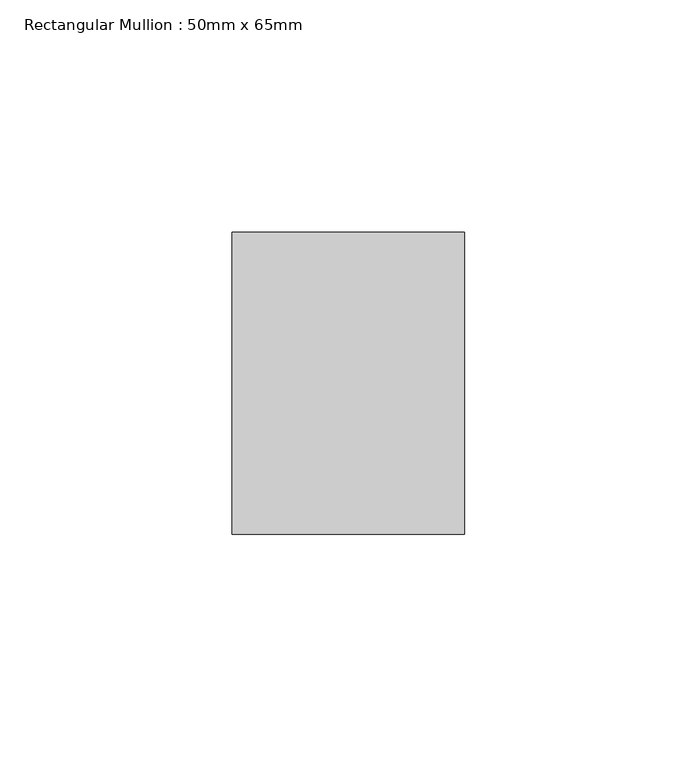
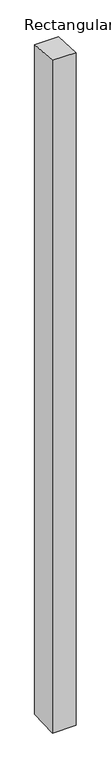
"""IFC4 building model written with IfcOpenShell, lengths in millimetres: member geometry, Rectangular Mullion : 50mm x 65mm."""

from ifc_helpers import new_model, si_unit, origin, place, context, project, spatial, faceted_brep, source, transform, mapped, element, save


def rectangular_mullion_50mm_x_65mm_2951914d(model_context):
    return source(origin(), model_context, "Body", "Brep", [
        faceted_brep([(-25.0, 32.5, -2.1659776), (25.0, 32.5, -2.1659766), (25.0, 32.5, -1498.7588371), (-25.0, 32.5, -1498.7588365), (-25.0, -32.5, 2.1659766), (-25.0, -32.5, -1501.2410187), (25.0, -32.5, 2.1659776), (25.0, -32.5, -1501.2410193)], [[[0, 1, 2, 3]], [[4, 0, 3, 5]], [[6, 4, 5, 7]], [[1, 6, 7, 2]], [[1, 0, 4, 6]], [[2, 7, 5, 3]]]),
    ])


if __name__ == "__main__":
    model = new_model("IFC4")
    model_context = context("Model", 3, world=origin())
    ifc_project = project(units=[si_unit("LENGTHUNIT", "METRE", prefix="MILLI")], contexts=[model_context])
    site = spatial("IfcSite", under=ifc_project)
    building = spatial("IfcBuilding", under=site)
    placement = place(None, origin())
    rectangular_mullion_50mm_x_65mm_shape = rectangular_mullion_50mm_x_65mm_2951914d(model_context)
    element("IfcMember", 1, ObjectType="Rectangular Mullion : 50mm x 65mm", at=placement, inside=building, context=model_context, shape_type="MappedRepresentation", body=[
        mapped(rectangular_mullion_50mm_x_65mm_shape, transform((0.0, 0.0, 0.0), x_axis=(1.0, 0.0, 0.0), y_axis=(0.0, 1.0, 0.0), z_axis=(0.0, 0.0, 1.0))),
    ])
    save(model, "model.ifc")
